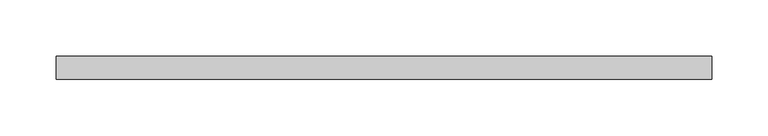
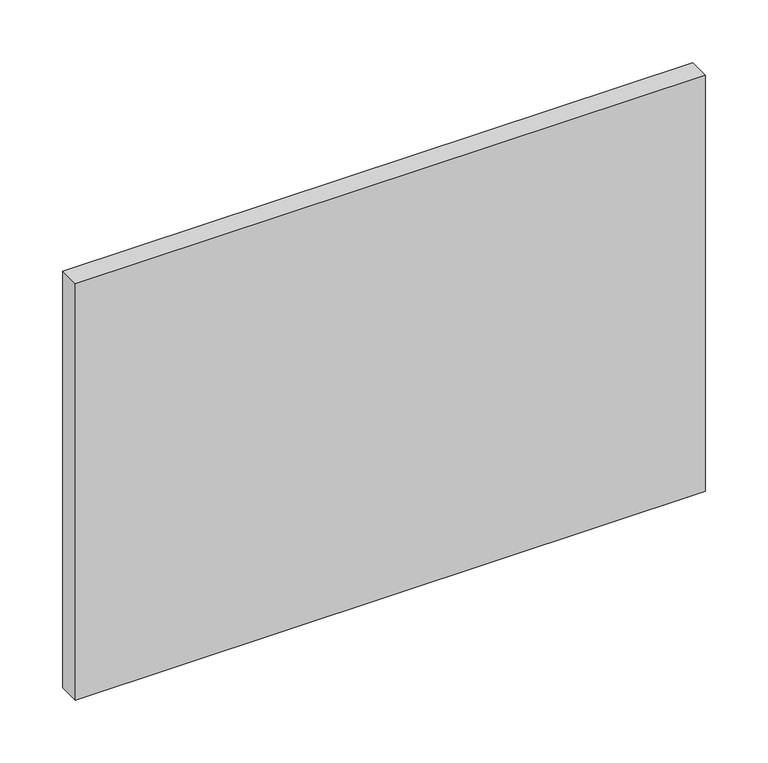
"""IFC4 building model written with IfcOpenShell, lengths in millimetres: plate geometry."""

import ifcopenshell
import ifcopenshell.guid

model = None  # the IFC model being written
_history = None  # IfcOwnerHistory: only IFC2X3 demands one
_inside = {}  # id of a spatial element -> (the spatial element, [elements in it])
_under = {}  # id of a project, library or spatial element -> (it, [spatial elements below it])
_declared = {}  # id of a project -> (the project, [libraries it declares])
_typed = {}  # id of a type object -> (the type object, [elements of that type])
_made_of = {}  # id of a material, layer set ... -> (it, [elements and type objects made of it])


def new_model(schema):
    """Start an empty IFC model of exactly this schema.

    Asked for "IFC4X3", IfcOpenShell would pick the latest addendum, in which some entities
    have other attributes; the version numbers below select the first issue.
    IFC2X3 requires an IfcOwnerHistory on every rooted entity: one is made here for all.
    """
    global model, _history
    if schema == "IFC4X3":
        model = ifcopenshell.file(schema_version=(4, 3, 0, 0))
    else:
        model = ifcopenshell.file(schema=schema)
    _inside.clear()
    _under.clear()
    _declared.clear()
    _typed.clear()
    _made_of.clear()
    _history = None
    if model.schema == "IFC2X3":
        org = make("IfcOrganization", Name="unknown")
        user = make(
            "IfcPersonAndOrganization",
            ThePerson=make("IfcPerson", FamilyName="unknown"),
            TheOrganization=org,
        )
        app = make(
            "IfcApplication",
            ApplicationDeveloper=org,
            Version="unknown",
            ApplicationFullName="unknown",
            ApplicationIdentifier="unknown",
        )
        _history = make(
            "IfcOwnerHistory",
            OwningUser=user,
            OwningApplication=app,
            ChangeAction="ADDED",
            CreationDate=0,
        )
    return model


def make(cls, **values):
    """One entity of the class cls with the attributes given. An attribute that is None is left unset."""
    return model.create_entity(
        cls, **{name: value for name, value in values.items() if value is not None}
    )


def rooted(cls, **values):
    """An entity with a GlobalId (a new one), such as an element, a storey or a relation."""
    return make(cls, GlobalId=ifcopenshell.guid.new(), OwnerHistory=_history, **values)


def si_unit(unit_type, name, prefix=None):
    """IfcSIUnit, for example si_unit("LENGTHUNIT", "METRE", prefix="MILLI")."""
    return make("IfcSIUnit", UnitType=unit_type, Prefix=prefix, Name=name)


def assignment(units):
    """IfcUnitAssignment: the units of a project."""
    return None if units is None else make("IfcUnitAssignment", Units=units)


def point(xyz):
    """IfcCartesianPoint."""
    return None if xyz is None else make("IfcCartesianPoint", Coordinates=xyz)


def direction(xyz):
    """IfcDirection."""
    return None if xyz is None else make("IfcDirection", DirectionRatios=xyz)


def frame(location, z_axis=None, x_axis=None):
    """IfcAxis2Placement3D, a coordinate frame: its origin and axes. An axis left out is left unset."""
    return make(
        "IfcAxis2Placement3D",
        Location=point(location),
        Axis=direction(z_axis),
        RefDirection=direction(x_axis),
    )


def origin():
    """The frame at (0, 0, 0) with its axes left unset."""
    return frame((0.0, 0.0, 0.0))


def origin_with_axes():
    """The frame at (0, 0, 0) with the z axis (0, 0, 1) and the x axis (1, 0, 0) written out."""
    return frame((0.0, 0.0, 0.0), z_axis=(0.0, 0.0, 1.0), x_axis=(1.0, 0.0, 0.0))


def place(relative_to, where):
    """IfcLocalPlacement: puts the frame where relative to a parent placement (None: the world)."""
    return make(
        "IfcLocalPlacement", PlacementRelTo=relative_to, RelativePlacement=where
    )


def context(
    kind, dimensions, precision=None, world=None, true_north=None, identifier=None
):
    """IfcGeometricRepresentationContext, for example the 3D "Model" context."""
    return make(
        "IfcGeometricRepresentationContext",
        ContextIdentifier=identifier,
        ContextType=kind,
        CoordinateSpaceDimension=dimensions,
        Precision=precision,
        WorldCoordinateSystem=world,
        TrueNorth=true_north,
    )


def project(units=None, contexts=None):
    """IfcProject with its units and contexts."""
    return rooted(
        "IfcProject",
        Name="project",
        RepresentationContexts=contexts,
        UnitsInContext=assignment(units),
    )


def spatial(cls, under=None, at=None, **own):
    """A site, building, storey or space (cls), placed at a placement, below another one or the project."""
    s = rooted(cls, ObjectPlacement=at, **own)
    if under is not None:
        _under.setdefault(under.id(), (under, []))[1].append(s)
    return s


def polyline(points):
    """IfcPolyline through the points."""
    return make("IfcPolyline", Points=[point(p) for p in points])


def outline(outer, holes=None, kind="AREA"):
    """IfcArbitraryClosedProfileDef: a profile drawn as a closed curve; with holes, ...WithVoids."""
    if holes is None:
        return make("IfcArbitraryClosedProfileDef", ProfileType=kind, OuterCurve=outer)
    return make(
        "IfcArbitraryProfileDefWithVoids",
        ProfileType=kind,
        OuterCurve=outer,
        InnerCurves=holes,
    )


def extrude(swept, where, along, depth):
    """IfcExtrudedAreaSolid: the profile swept, set in the frame where, extruded along a direction by depth."""
    return make(
        "IfcExtrudedAreaSolid",
        SweptArea=swept,
        Position=where,
        ExtrudedDirection=direction(along),
        Depth=depth,
    )


def shape(context_of_items, identifier, shape_type, items):
    """IfcShapeRepresentation: the items that make up one representation, for example the "Body"."""
    return make(
        "IfcShapeRepresentation",
        ContextOfItems=context_of_items,
        RepresentationIdentifier=identifier,
        RepresentationType=shape_type,
        Items=items,
    )


def source(mapping_origin, context_of_items, identifier, shape_type, items):
    """IfcRepresentationMap: a shape defined once, which mapped items show again and again."""
    return make(
        "IfcRepresentationMap",
        MappingOrigin=mapping_origin,
        MappedRepresentation=shape(context_of_items, identifier, shape_type, items),
    )


def transform(
    local_origin,
    x_axis=None,
    y_axis=None,
    z_axis=None,
    scale=None,
    scale2=None,
    scale3=None,
    uniform=True,
):
    """IfcCartesianTransformationOperator3D, or its non-uniform kind. x_axis, y_axis, z_axis: its Axis1, 2, 3."""
    if uniform:
        return make(
            "IfcCartesianTransformationOperator3D",
            Axis1=direction(x_axis),
            Axis2=direction(y_axis),
            LocalOrigin=point(local_origin),
            Scale=scale,
            Axis3=direction(z_axis),
        )
    return make(
        "IfcCartesianTransformationOperator3DnonUniform",
        Axis1=direction(x_axis),
        Axis2=direction(y_axis),
        LocalOrigin=point(local_origin),
        Scale=scale,
        Axis3=direction(z_axis),
        Scale2=scale2,
        Scale3=scale3,
    )


def mapped(mapping_source, mapping_target):
    """IfcMappedItem: shows the shape of a source again, moved by a transform."""
    return make(
        "IfcMappedItem", MappingSource=mapping_source, MappingTarget=mapping_target
    )


def made_of(thing, what):
    """Note that an element or type object is made of a material, layer set ...; save() writes the relation."""
    if what is not None:
        _made_of.setdefault(what.id(), (what, []))[1].append(thing)
    return thing


def element(
    cls,
    number,
    at=None,
    inside=None,
    cuts=None,
    type_object=None,
    material=None,
    context=None,
    identifier="Body",
    shape_type=None,
    held_by="IfcProductDefinitionShape",
    body=None,
    shapes=None,
    **own,
):
    """One element of the class cls, such as IfcWall. Its Tag is "e" and its number.

    at: its placement. inside: the storey or other place that contains it. cuts: it is an
    opening in that element (IfcRelVoidsElement). A single representation is given by context,
    identifier, shape_type and body (its items); several are given by shapes. held_by: the class
    of the entity that holds the representations. save() writes the other relations.
    """
    e = rooted(cls, Tag="e%d" % number, ObjectPlacement=at, **own)
    if body is not None:
        shapes = [shape(context, identifier, shape_type, body)]
    if shapes is not None:
        e.Representation = make(held_by, Representations=shapes)
    if inside is not None:
        _inside.setdefault(inside.id(), (inside, []))[1].append(e)
    if cuts is not None:
        rooted(
            "IfcRelVoidsElement", RelatingBuildingElement=cuts, RelatedOpeningElement=e
        )
    if type_object is not None:
        _typed.setdefault(type_object.id(), (type_object, []))[1].append(e)
    return made_of(e, material)


def aggregate(whole, parts):
    """IfcRelAggregates: a whole, such as a stair, and the parts it consists of."""
    return rooted("IfcRelAggregates", RelatingObject=whole, RelatedObjects=parts)


def save(model, path):
    """Write the relations noted so far, then the file.

    IfcRelAggregates (storeys below a building ...), IfcRelContainedInSpatialStructure (elements
    in a storey), IfcRelDefinesByType, IfcRelAssociatesMaterial and IfcRelDeclares: one each for
    every whole, place, type object, material and project.
    """
    for whole, parts in _under.values():
        aggregate(whole, parts)
    for where, things in _inside.values():
        rooted(
            "IfcRelContainedInSpatialStructure",
            RelatedElements=things,
            RelatingStructure=where,
        )
    for kind, things in _typed.values():
        rooted("IfcRelDefinesByType", RelatedObjects=things, RelatingType=kind)
    for what, things in _made_of.values():
        rooted("IfcRelAssociatesMaterial", RelatedObjects=things, RelatingMaterial=what)
    for by, libraries in _declared.values():
        rooted("IfcRelDeclares", RelatingContext=by, RelatedDefinitions=libraries)
    model.write(path)


def plate_5d733ac1(model_context):
    return source(origin(), model_context, "Body", "SweptSolid", [
        extrude(outline(polyline([(290.0, 70.0), (-290.0, 70.0), (-290.0, 90.0), (290.0, 90.0), (290.0, 70.0)])), origin_with_axes(), (0.0, 0.0, 1.0), 405.1707317),
    ])


if __name__ == "__main__":
    model = new_model("IFC4")
    model_context = context("Model", 3, world=origin())
    ifc_project = project(units=[si_unit("LENGTHUNIT", "METRE", prefix="MILLI")], contexts=[model_context])
    site = spatial("IfcSite", under=ifc_project)
    building = spatial("IfcBuilding", under=site)
    placement = place(None, origin())
    plate_shape = plate_5d733ac1(model_context)
    element("IfcPlate", 1, at=placement, inside=building, context=model_context, shape_type="MappedRepresentation", body=[
        mapped(plate_shape, transform((0.0, 0.0, 0.0), x_axis=(1.0, 0.0, 0.0), y_axis=(0.0, 1.0, 0.0), z_axis=(0.0, 0.0, 1.0))),
    ])
    save(model, "model.ifc")
